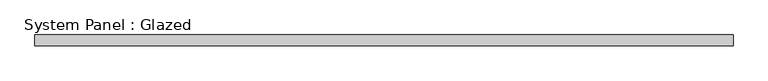
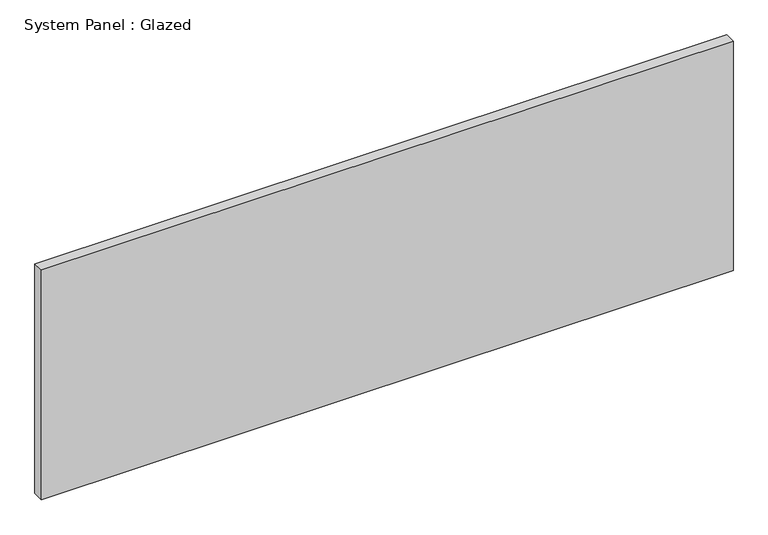
"""IFC4 building model written with IfcOpenShell, lengths in millimetres: plate geometry, System Panel : Glazed."""

import ifcopenshell
import ifcopenshell.guid

model = None  # the IFC model being written
_history = None  # IfcOwnerHistory: only IFC2X3 demands one
_inside = {}  # id of a spatial element -> (the spatial element, [elements in it])
_under = {}  # id of a project, library or spatial element -> (it, [spatial elements below it])
_declared = {}  # id of a project -> (the project, [libraries it declares])
_typed = {}  # id of a type object -> (the type object, [elements of that type])
_made_of = {}  # id of a material, layer set ... -> (it, [elements and type objects made of it])


def new_model(schema):
    """Start an empty IFC model of exactly this schema.

    Asked for "IFC4X3", IfcOpenShell would pick the latest addendum, in which some entities
    have other attributes; the version numbers below select the first issue.
    IFC2X3 requires an IfcOwnerHistory on every rooted entity: one is made here for all.
    """
    global model, _history
    if schema == "IFC4X3":
        model = ifcopenshell.file(schema_version=(4, 3, 0, 0))
    else:
        model = ifcopenshell.file(schema=schema)
    _inside.clear()
    _under.clear()
    _declared.clear()
    _typed.clear()
    _made_of.clear()
    _history = None
    if model.schema == "IFC2X3":
        org = make("IfcOrganization", Name="unknown")
        user = make(
            "IfcPersonAndOrganization",
            ThePerson=make("IfcPerson", FamilyName="unknown"),
            TheOrganization=org,
        )
        app = make(
            "IfcApplication",
            ApplicationDeveloper=org,
            Version="unknown",
            ApplicationFullName="unknown",
            ApplicationIdentifier="unknown",
        )
        _history = make(
            "IfcOwnerHistory",
            OwningUser=user,
            OwningApplication=app,
            ChangeAction="ADDED",
            CreationDate=0,
        )
    return model


def make(cls, **values):
    """One entity of the class cls with the attributes given. An attribute that is None is left unset."""
    return model.create_entity(
        cls, **{name: value for name, value in values.items() if value is not None}
    )


def rooted(cls, **values):
    """An entity with a GlobalId (a new one), such as an element, a storey or a relation."""
    return make(cls, GlobalId=ifcopenshell.guid.new(), OwnerHistory=_history, **values)


def si_unit(unit_type, name, prefix=None):
    """IfcSIUnit, for example si_unit("LENGTHUNIT", "METRE", prefix="MILLI")."""
    return make("IfcSIUnit", UnitType=unit_type, Prefix=prefix, Name=name)


def assignment(units):
    """IfcUnitAssignment: the units of a project."""
    return None if units is None else make("IfcUnitAssignment", Units=units)


def point(xyz):
    """IfcCartesianPoint."""
    return None if xyz is None else make("IfcCartesianPoint", Coordinates=xyz)


def direction(xyz):
    """IfcDirection."""
    return None if xyz is None else make("IfcDirection", DirectionRatios=xyz)


def frame(location, z_axis=None, x_axis=None):
    """IfcAxis2Placement3D, a coordinate frame: its origin and axes. An axis left out is left unset."""
    return make(
        "IfcAxis2Placement3D",
        Location=point(location),
        Axis=direction(z_axis),
        RefDirection=direction(x_axis),
    )


def origin():
    """The frame at (0, 0, 0) with its axes left unset."""
    return frame((0.0, 0.0, 0.0))


def origin_with_axes():
    """The frame at (0, 0, 0) with the z axis (0, 0, 1) and the x axis (1, 0, 0) written out."""
    return frame((0.0, 0.0, 0.0), z_axis=(0.0, 0.0, 1.0), x_axis=(1.0, 0.0, 0.0))


def place(relative_to, where):
    """IfcLocalPlacement: puts the frame where relative to a parent placement (None: the world)."""
    return make(
        "IfcLocalPlacement", PlacementRelTo=relative_to, RelativePlacement=where
    )


def context(
    kind, dimensions, precision=None, world=None, true_north=None, identifier=None
):
    """IfcGeometricRepresentationContext, for example the 3D "Model" context."""
    return make(
        "IfcGeometricRepresentationContext",
        ContextIdentifier=identifier,
        ContextType=kind,
        CoordinateSpaceDimension=dimensions,
        Precision=precision,
        WorldCoordinateSystem=world,
        TrueNorth=true_north,
    )


def project(units=None, contexts=None):
    """IfcProject with its units and contexts."""
    return rooted(
        "IfcProject",
        Name="project",
        RepresentationContexts=contexts,
        UnitsInContext=assignment(units),
    )


def spatial(cls, under=None, at=None, **own):
    """A site, building, storey or space (cls), placed at a placement, below another one or the project."""
    s = rooted(cls, ObjectPlacement=at, **own)
    if under is not None:
        _under.setdefault(under.id(), (under, []))[1].append(s)
    return s


def polyline(points):
    """IfcPolyline through the points."""
    return make("IfcPolyline", Points=[point(p) for p in points])


def outline(outer, holes=None, kind="AREA"):
    """IfcArbitraryClosedProfileDef: a profile drawn as a closed curve; with holes, ...WithVoids."""
    if holes is None:
        return make("IfcArbitraryClosedProfileDef", ProfileType=kind, OuterCurve=outer)
    return make(
        "IfcArbitraryProfileDefWithVoids",
        ProfileType=kind,
        OuterCurve=outer,
        InnerCurves=holes,
    )


def extrude(swept, where, along, depth):
    """IfcExtrudedAreaSolid: the profile swept, set in the frame where, extruded along a direction by depth."""
    return make(
        "IfcExtrudedAreaSolid",
        SweptArea=swept,
        Position=where,
        ExtrudedDirection=direction(along),
        Depth=depth,
    )


def shape(context_of_items, identifier, shape_type, items):
    """IfcShapeRepresentation: the items that make up one representation, for example the "Body"."""
    return make(
        "IfcShapeRepresentation",
        ContextOfItems=context_of_items,
        RepresentationIdentifier=identifier,
        RepresentationType=shape_type,
        Items=items,
    )


def source(mapping_origin, context_of_items, identifier, shape_type, items):
    """IfcRepresentationMap: a shape defined once, which mapped items show again and again."""
    return make(
        "IfcRepresentationMap",
        MappingOrigin=mapping_origin,
        MappedRepresentation=shape(context_of_items, identifier, shape_type, items),
    )


def transform(
    local_origin,
    x_axis=None,
    y_axis=None,
    z_axis=None,
    scale=None,
    scale2=None,
    scale3=None,
    uniform=True,
):
    """IfcCartesianTransformationOperator3D, or its non-uniform kind. x_axis, y_axis, z_axis: its Axis1, 2, 3."""
    if uniform:
        return make(
            "IfcCartesianTransformationOperator3D",
            Axis1=direction(x_axis),
            Axis2=direction(y_axis),
            LocalOrigin=point(local_origin),
            Scale=scale,
            Axis3=direction(z_axis),
        )
    return make(
        "IfcCartesianTransformationOperator3DnonUniform",
        Axis1=direction(x_axis),
        Axis2=direction(y_axis),
        LocalOrigin=point(local_origin),
        Scale=scale,
        Axis3=direction(z_axis),
        Scale2=scale2,
        Scale3=scale3,
    )


def mapped(mapping_source, mapping_target):
    """IfcMappedItem: shows the shape of a source again, moved by a transform."""
    return make(
        "IfcMappedItem", MappingSource=mapping_source, MappingTarget=mapping_target
    )


def made_of(thing, what):
    """Note that an element or type object is made of a material, layer set ...; save() writes the relation."""
    if what is not None:
        _made_of.setdefault(what.id(), (what, []))[1].append(thing)
    return thing


def element(
    cls,
    number,
    at=None,
    inside=None,
    cuts=None,
    type_object=None,
    material=None,
    context=None,
    identifier="Body",
    shape_type=None,
    held_by="IfcProductDefinitionShape",
    body=None,
    shapes=None,
    **own,
):
    """One element of the class cls, such as IfcWall. Its Tag is "e" and its number.

    at: its placement. inside: the storey or other place that contains it. cuts: it is an
    opening in that element (IfcRelVoidsElement). A single representation is given by context,
    identifier, shape_type and body (its items); several are given by shapes. held_by: the class
    of the entity that holds the representations. save() writes the other relations.
    """
    e = rooted(cls, Tag="e%d" % number, ObjectPlacement=at, **own)
    if body is not None:
        shapes = [shape(context, identifier, shape_type, body)]
    if shapes is not None:
        e.Representation = make(held_by, Representations=shapes)
    if inside is not None:
        _inside.setdefault(inside.id(), (inside, []))[1].append(e)
    if cuts is not None:
        rooted(
            "IfcRelVoidsElement", RelatingBuildingElement=cuts, RelatedOpeningElement=e
        )
    if type_object is not None:
        _typed.setdefault(type_object.id(), (type_object, []))[1].append(e)
    return made_of(e, material)


def aggregate(whole, parts):
    """IfcRelAggregates: a whole, such as a stair, and the parts it consists of."""
    return rooted("IfcRelAggregates", RelatingObject=whole, RelatedObjects=parts)


def save(model, path):
    """Write the relations noted so far, then the file.

    IfcRelAggregates (storeys below a building ...), IfcRelContainedInSpatialStructure (elements
    in a storey), IfcRelDefinesByType, IfcRelAssociatesMaterial and IfcRelDeclares: one each for
    every whole, place, type object, material and project.
    """
    for whole, parts in _under.values():
        aggregate(whole, parts)
    for where, things in _inside.values():
        rooted(
            "IfcRelContainedInSpatialStructure",
            RelatedElements=things,
            RelatingStructure=where,
        )
    for kind, things in _typed.values():
        rooted("IfcRelDefinesByType", RelatedObjects=things, RelatingType=kind)
    for what, things in _made_of.values():
        rooted("IfcRelAssociatesMaterial", RelatedObjects=things, RelatingMaterial=what)
    for by, libraries in _declared.values():
        rooted("IfcRelDeclares", RelatingContext=by, RelatedDefinitions=libraries)
    model.write(path)


def system_panel_glazed_686c71b9(model_context):
    return source(origin(), model_context, "Body", "SweptSolid", [
        extrude(outline(polyline([(796.6455623, 24.5), (-796.6455623, 24.5), (-796.6455623, 49.5), (796.6455623, 49.5), (796.6455623, 24.5)])), origin_with_axes(), (0.0, 0.0, 1.0), 559.6),
    ])


if __name__ == "__main__":
    model = new_model("IFC4")
    model_context = context("Model", 3, world=origin())
    ifc_project = project(units=[si_unit("LENGTHUNIT", "METRE", prefix="MILLI")], contexts=[model_context])
    site = spatial("IfcSite", under=ifc_project)
    building = spatial("IfcBuilding", under=site)
    placement = place(None, origin())
    system_panel_glazed_shape = system_panel_glazed_686c71b9(model_context)
    element("IfcPlate", 1, ObjectType="System Panel : Glazed", at=placement, inside=building, context=model_context, shape_type="MappedRepresentation", body=[
        mapped(system_panel_glazed_shape, transform((0.0, 0.0, 0.0), x_axis=(1.0, 0.0, 0.0), y_axis=(0.0, 1.0, 0.0), z_axis=(0.0, 0.0, 1.0))),
    ])
    save(model, "model.ifc")
